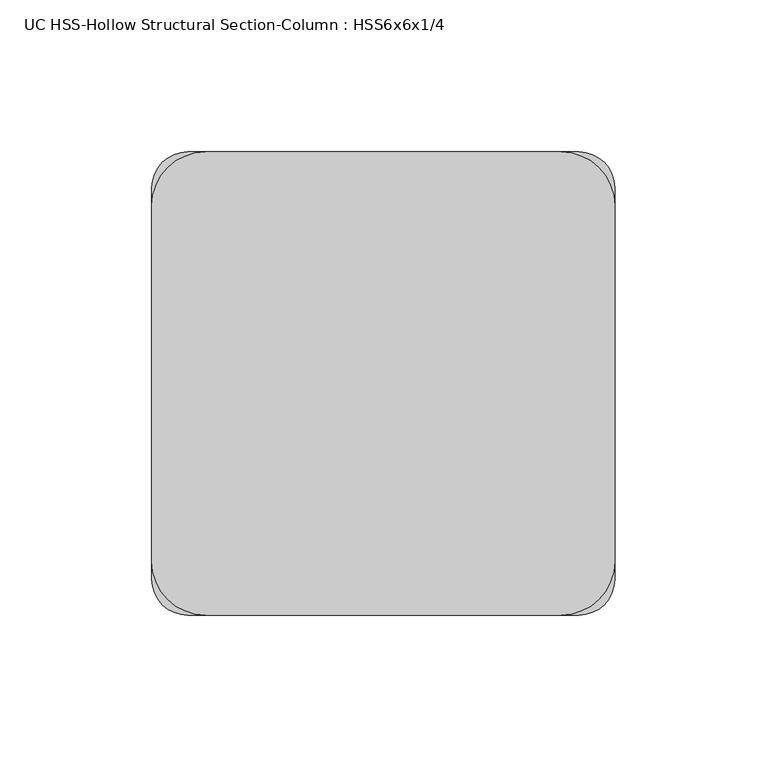
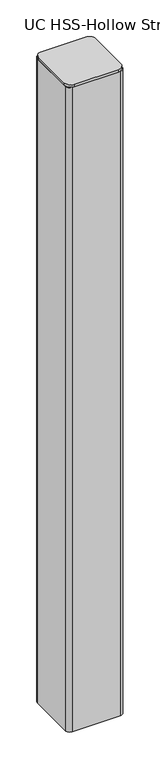
"""IFC4 building model written with IfcOpenShell, lengths in millimetres: column geometry, UC HSS-Hollow Structural Section-Column : HSS6x6x1/4."""

import ifcopenshell
import ifcopenshell.guid

model = None  # the IFC model being written
_history = None  # IfcOwnerHistory: only IFC2X3 demands one
_inside = {}  # id of a spatial element -> (the spatial element, [elements in it])
_under = {}  # id of a project, library or spatial element -> (it, [spatial elements below it])
_declared = {}  # id of a project -> (the project, [libraries it declares])
_typed = {}  # id of a type object -> (the type object, [elements of that type])
_made_of = {}  # id of a material, layer set ... -> (it, [elements and type objects made of it])


def new_model(schema):
    """Start an empty IFC model of exactly this schema.

    Asked for "IFC4X3", IfcOpenShell would pick the latest addendum, in which some entities
    have other attributes; the version numbers below select the first issue.
    IFC2X3 requires an IfcOwnerHistory on every rooted entity: one is made here for all.
    """
    global model, _history
    if schema == "IFC4X3":
        model = ifcopenshell.file(schema_version=(4, 3, 0, 0))
    else:
        model = ifcopenshell.file(schema=schema)
    _inside.clear()
    _under.clear()
    _declared.clear()
    _typed.clear()
    _made_of.clear()
    _history = None
    if model.schema == "IFC2X3":
        org = make("IfcOrganization", Name="unknown")
        user = make(
            "IfcPersonAndOrganization",
            ThePerson=make("IfcPerson", FamilyName="unknown"),
            TheOrganization=org,
        )
        app = make(
            "IfcApplication",
            ApplicationDeveloper=org,
            Version="unknown",
            ApplicationFullName="unknown",
            ApplicationIdentifier="unknown",
        )
        _history = make(
            "IfcOwnerHistory",
            OwningUser=user,
            OwningApplication=app,
            ChangeAction="ADDED",
            CreationDate=0,
        )
    return model


def make(cls, **values):
    """One entity of the class cls with the attributes given. An attribute that is None is left unset."""
    return model.create_entity(
        cls, **{name: value for name, value in values.items() if value is not None}
    )


def rooted(cls, **values):
    """An entity with a GlobalId (a new one), such as an element, a storey or a relation."""
    return make(cls, GlobalId=ifcopenshell.guid.new(), OwnerHistory=_history, **values)


def si_unit(unit_type, name, prefix=None):
    """IfcSIUnit, for example si_unit("LENGTHUNIT", "METRE", prefix="MILLI")."""
    return make("IfcSIUnit", UnitType=unit_type, Prefix=prefix, Name=name)


def assignment(units):
    """IfcUnitAssignment: the units of a project."""
    return None if units is None else make("IfcUnitAssignment", Units=units)


def point(xyz):
    """IfcCartesianPoint."""
    return None if xyz is None else make("IfcCartesianPoint", Coordinates=xyz)


def direction(xyz):
    """IfcDirection."""
    return None if xyz is None else make("IfcDirection", DirectionRatios=xyz)


def frame(location, z_axis=None, x_axis=None):
    """IfcAxis2Placement3D, a coordinate frame: its origin and axes. An axis left out is left unset."""
    return make(
        "IfcAxis2Placement3D",
        Location=point(location),
        Axis=direction(z_axis),
        RefDirection=direction(x_axis),
    )


def frame_2d(location, x_axis=None):
    """IfcAxis2Placement2D, a coordinate frame in the plane: its origin and x axis."""
    return make(
        "IfcAxis2Placement2D", Location=point(location), RefDirection=direction(x_axis)
    )


def origin():
    """The frame at (0, 0, 0) with its axes left unset."""
    return frame((0.0, 0.0, 0.0))


def place(relative_to, where):
    """IfcLocalPlacement: puts the frame where relative to a parent placement (None: the world)."""
    return make(
        "IfcLocalPlacement", PlacementRelTo=relative_to, RelativePlacement=where
    )


def context(
    kind, dimensions, precision=None, world=None, true_north=None, identifier=None
):
    """IfcGeometricRepresentationContext, for example the 3D "Model" context."""
    return make(
        "IfcGeometricRepresentationContext",
        ContextIdentifier=identifier,
        ContextType=kind,
        CoordinateSpaceDimension=dimensions,
        Precision=precision,
        WorldCoordinateSystem=world,
        TrueNorth=true_north,
    )


def project(units=None, contexts=None):
    """IfcProject with its units and contexts."""
    return rooted(
        "IfcProject",
        Name="project",
        RepresentationContexts=contexts,
        UnitsInContext=assignment(units),
    )


def spatial(cls, under=None, at=None, **own):
    """A site, building, storey or space (cls), placed at a placement, below another one or the project."""
    s = rooted(cls, ObjectPlacement=at, **own)
    if under is not None:
        _under.setdefault(under.id(), (under, []))[1].append(s)
    return s


def polyline(points):
    """IfcPolyline through the points."""
    return make("IfcPolyline", Points=[point(p) for p in points])


def circle_curve(where, radius):
    """IfcCircle in the frame where."""
    return make("IfcCircle", Position=where, Radius=radius)


def trimmed(basis, trim1, trim2, sense, master):
    """IfcTrimmedCurve: the piece of a basis curve between two trims."""
    return make(
        "IfcTrimmedCurve",
        BasisCurve=basis,
        Trim1=trim1,
        Trim2=trim2,
        SenseAgreement=sense,
        MasterRepresentation=master,
    )


def segment(curve, same_sense, transition):
    """IfcCompositeCurveSegment."""
    return make(
        "IfcCompositeCurveSegment",
        Transition=transition,
        SameSense=same_sense,
        ParentCurve=curve,
    )


def composite_curve(segments, self_intersect=None):
    """IfcCompositeCurve: segments joined end to end."""
    return make("IfcCompositeCurve", Segments=segments, SelfIntersect=self_intersect)


def outline(outer, holes=None, kind="AREA"):
    """IfcArbitraryClosedProfileDef: a profile drawn as a closed curve; with holes, ...WithVoids."""
    if holes is None:
        return make("IfcArbitraryClosedProfileDef", ProfileType=kind, OuterCurve=outer)
    return make(
        "IfcArbitraryProfileDefWithVoids",
        ProfileType=kind,
        OuterCurve=outer,
        InnerCurves=holes,
    )


def extrude(swept, where, along, depth):
    """IfcExtrudedAreaSolid: the profile swept, set in the frame where, extruded along a direction by depth."""
    return make(
        "IfcExtrudedAreaSolid",
        SweptArea=swept,
        Position=where,
        ExtrudedDirection=direction(along),
        Depth=depth,
    )


def shape(context_of_items, identifier, shape_type, items):
    """IfcShapeRepresentation: the items that make up one representation, for example the "Body"."""
    return make(
        "IfcShapeRepresentation",
        ContextOfItems=context_of_items,
        RepresentationIdentifier=identifier,
        RepresentationType=shape_type,
        Items=items,
    )


def source(mapping_origin, context_of_items, identifier, shape_type, items):
    """IfcRepresentationMap: a shape defined once, which mapped items show again and again."""
    return make(
        "IfcRepresentationMap",
        MappingOrigin=mapping_origin,
        MappedRepresentation=shape(context_of_items, identifier, shape_type, items),
    )


def transform(
    local_origin,
    x_axis=None,
    y_axis=None,
    z_axis=None,
    scale=None,
    scale2=None,
    scale3=None,
    uniform=True,
):
    """IfcCartesianTransformationOperator3D, or its non-uniform kind. x_axis, y_axis, z_axis: its Axis1, 2, 3."""
    if uniform:
        return make(
            "IfcCartesianTransformationOperator3D",
            Axis1=direction(x_axis),
            Axis2=direction(y_axis),
            LocalOrigin=point(local_origin),
            Scale=scale,
            Axis3=direction(z_axis),
        )
    return make(
        "IfcCartesianTransformationOperator3DnonUniform",
        Axis1=direction(x_axis),
        Axis2=direction(y_axis),
        LocalOrigin=point(local_origin),
        Scale=scale,
        Axis3=direction(z_axis),
        Scale2=scale2,
        Scale3=scale3,
    )


def mapped(mapping_source, mapping_target):
    """IfcMappedItem: shows the shape of a source again, moved by a transform."""
    return make(
        "IfcMappedItem", MappingSource=mapping_source, MappingTarget=mapping_target
    )


def made_of(thing, what):
    """Note that an element or type object is made of a material, layer set ...; save() writes the relation."""
    if what is not None:
        _made_of.setdefault(what.id(), (what, []))[1].append(thing)
    return thing


def element(
    cls,
    number,
    at=None,
    inside=None,
    cuts=None,
    type_object=None,
    material=None,
    context=None,
    identifier="Body",
    shape_type=None,
    held_by="IfcProductDefinitionShape",
    body=None,
    shapes=None,
    **own,
):
    """One element of the class cls, such as IfcWall. Its Tag is "e" and its number.

    at: its placement. inside: the storey or other place that contains it. cuts: it is an
    opening in that element (IfcRelVoidsElement). A single representation is given by context,
    identifier, shape_type and body (its items); several are given by shapes. held_by: the class
    of the entity that holds the representations. save() writes the other relations.
    """
    e = rooted(cls, Tag="e%d" % number, ObjectPlacement=at, **own)
    if body is not None:
        shapes = [shape(context, identifier, shape_type, body)]
    if shapes is not None:
        e.Representation = make(held_by, Representations=shapes)
    if inside is not None:
        _inside.setdefault(inside.id(), (inside, []))[1].append(e)
    if cuts is not None:
        rooted(
            "IfcRelVoidsElement", RelatingBuildingElement=cuts, RelatedOpeningElement=e
        )
    if type_object is not None:
        _typed.setdefault(type_object.id(), (type_object, []))[1].append(e)
    return made_of(e, material)


def aggregate(whole, parts):
    """IfcRelAggregates: a whole, such as a stair, and the parts it consists of."""
    return rooted("IfcRelAggregates", RelatingObject=whole, RelatedObjects=parts)


def save(model, path):
    """Write the relations noted so far, then the file.

    IfcRelAggregates (storeys below a building ...), IfcRelContainedInSpatialStructure (elements
    in a storey), IfcRelDefinesByType, IfcRelAssociatesMaterial and IfcRelDeclares: one each for
    every whole, place, type object, material and project.
    """
    for whole, parts in _under.values():
        aggregate(whole, parts)
    for where, things in _inside.values():
        rooted(
            "IfcRelContainedInSpatialStructure",
            RelatedElements=things,
            RelatingStructure=where,
        )
    for kind, things in _typed.values():
        rooted("IfcRelDefinesByType", RelatedObjects=things, RelatingType=kind)
    for what, things in _made_of.values():
        rooted("IfcRelAssociatesMaterial", RelatedObjects=things, RelatingMaterial=what)
    for by, libraries in _declared.values():
        rooted("IfcRelDeclares", RelatingContext=by, RelatedDefinitions=libraries)
    model.write(path)


def uc_hss_hollow_structural_section_column_hss6x6x1_4_ccf42fef(model_context):
    return source(origin(), model_context, "Body", "SweptSolid", [
        extrude(outline(composite_curve([segment(trimmed(circle_curve(frame_2d((-58.5390625, 58.5390625)), 17.6609375), [point((-76.2, 58.5390625))], [point((-58.5390625, 76.2))], False, "CARTESIAN"), True, "CONTINUOUS"), segment(polyline([(-58.5390625, 76.2), (58.5390625, 76.2)]), True, "CONTINUOUS"), segment(trimmed(circle_curve(frame_2d((58.5390625, 58.5390625)), 17.6609375), [point((58.5390625, 76.2))], [point((76.2, 58.5390625))], False, "CARTESIAN"), True, "CONTINUOUS"), segment(polyline([(76.2, 58.5390625), (76.2, -58.5390625)]), True, "CONTINUOUS"), segment(trimmed(circle_curve(frame_2d((58.5390625, -58.5390625)), 17.6609375), [point((76.2, -58.5390625))], [point((58.5390625, -76.2))], False, "CARTESIAN"), True, "CONTINUOUS"), segment(polyline([(58.5390625, -76.2), (-58.5390625, -76.2)]), True, "CONTINUOUS"), segment(trimmed(circle_curve(frame_2d((-58.5390625, -58.5390625)), 17.6609375), [point((-58.5390625, -76.2))], [point((-76.2, -58.5390625))], False, "CARTESIAN"), True, "CONTINUOUS"), segment(polyline([(-76.2, -58.5390625), (-76.2, 58.5390625)]), True, "CONTINUOUS")], self_intersect=False)), frame((0.0, 0.0, 41852.85), z_axis=(0.0, 0.0, 1.0), x_axis=(1.0, 0.0, 0.0)), (0.0, 0.0, 1.0), 6.35),
        extrude(outline(composite_curve([segment(trimmed(circle_curve(frame_2d((64.3636, 64.3636)), 11.8364), [point((64.3636, 76.2))], [point((76.2, 64.3636))], False, "CARTESIAN"), True, "CONTINUOUS"), segment(polyline([(76.2, 64.3636), (76.2, -64.3636)]), True, "CONTINUOUS"), segment(trimmed(circle_curve(frame_2d((64.3636, -64.3636)), 11.8364), [point((76.2, -64.3636))], [point((64.3636, -76.2))], False, "CARTESIAN"), True, "CONTINUOUS"), segment(polyline([(64.3636, -76.2), (-64.3636, -76.2)]), True, "CONTINUOUS"), segment(trimmed(circle_curve(frame_2d((-64.3636, -64.3636)), 11.8364), [point((-64.3636, -76.2))], [point((-76.2, -64.3636))], False, "CARTESIAN"), True, "CONTINUOUS"), segment(polyline([(-76.2, -64.3636), (-76.2, 64.3636)]), True, "CONTINUOUS"), segment(trimmed(circle_curve(frame_2d((-64.3636, 64.3636)), 11.8364), [point((-76.2, 64.3636))], [point((-64.3636, 76.2))], False, "CARTESIAN"), True, "CONTINUOUS"), segment(polyline([(-64.3636, 76.2), (64.3636, 76.2)]), True, "CONTINUOUS")], self_intersect=False), holes=[composite_curve([segment(polyline([(64.3636, 70.2818), (-64.3636, 70.2818)]), True, "CONTINUOUS"), segment(trimmed(circle_curve(frame_2d((-64.3636, 64.3636)), 5.9182), [point((-64.3636, 70.2818))], [point((-70.2818, 64.3636))], True, "CARTESIAN"), True, "CONTINUOUS"), segment(polyline([(-70.2818, 64.3636), (-70.2818, -64.3636)]), True, "CONTINUOUS"), segment(trimmed(circle_curve(frame_2d((-64.3636, -64.3636)), 5.9182), [point((-70.2818, -64.3636))], [point((-64.3636, -70.2818))], True, "CARTESIAN"), True, "CONTINUOUS"), segment(polyline([(-64.3636, -70.2818), (64.3636, -70.2818)]), True, "CONTINUOUS"), segment(trimmed(circle_curve(frame_2d((64.3636, -64.3636)), 5.9182), [point((64.3636, -70.2818))], [point((70.2818, -64.3636))], True, "CARTESIAN"), True, "CONTINUOUS"), segment(polyline([(70.2818, -64.3636), (70.2818, 64.3636)]), True, "CONTINUOUS"), segment(trimmed(circle_curve(frame_2d((64.3636, 64.3636)), 5.9182), [point((70.2818, 64.3636))], [point((64.3636, 70.2818))], True, "CARTESIAN"), True, "CONTINUOUS")], self_intersect=False)]), frame((0.0, 0.0, 40030.4), z_axis=(0.0, 0.0, 1.0), x_axis=(1.0, 0.0, 0.0)), (0.0, 0.0, 1.0), 1822.45),
    ])


if __name__ == "__main__":
    model = new_model("IFC4")
    model_context = context("Model", 3, world=origin())
    ifc_project = project(units=[si_unit("LENGTHUNIT", "METRE", prefix="MILLI")], contexts=[model_context])
    site = spatial("IfcSite", under=ifc_project)
    building = spatial("IfcBuilding", under=site)
    placement = place(None, origin())
    uc_hss_hollow_structural_section_column_hss6x6x1_4_shape = uc_hss_hollow_structural_section_column_hss6x6x1_4_ccf42fef(model_context)
    element("IfcColumn", 1, ObjectType="UC HSS-Hollow Structural Section-Column : HSS6x6x1/4", at=placement, inside=building, context=model_context, shape_type="MappedRepresentation", body=[
        mapped(uc_hss_hollow_structural_section_column_hss6x6x1_4_shape, transform((0.0, 0.0, 0.0), x_axis=(1.0, 0.0, 0.0), y_axis=(0.0, 1.0, 0.0), z_axis=(0.0, 0.0, 1.0))),
    ])
    save(model, "model.ifc")
